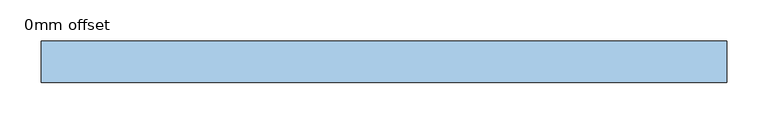
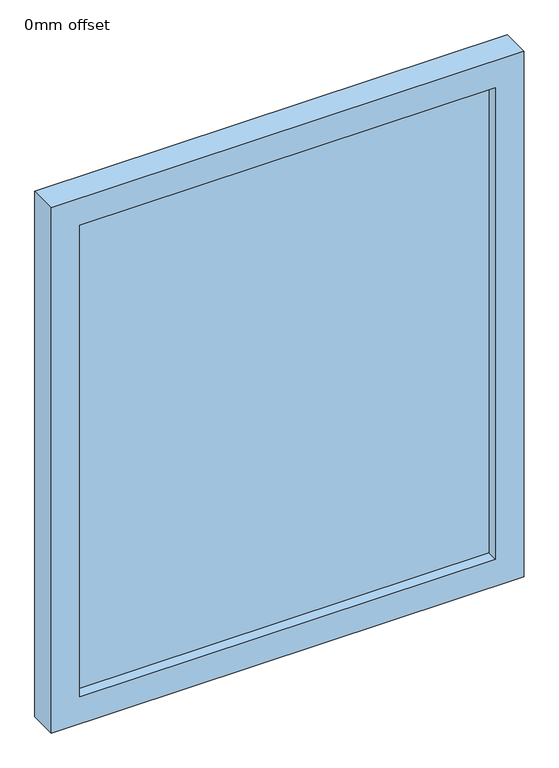
"""IFC4 building model written with IfcOpenShell, lengths in millimetres: window geometry, 0mm offset."""

from ifc_helpers import new_model, si_unit, frame, origin, place, context, project, spatial, polyline, outline, extrude, source, transform, mapped, element, save


def window_0mm_offset_e170f58a(model_context):
    return source(origin(), model_context, "Body", "SweptSolid", [
        extrude(outline(polyline([(365.0, -30.95), (-365.0, -30.95), (-365.0, -18.25), (365.0, -18.25), (365.0, -30.95)])), frame((0.0, 0.0, 50.0), z_axis=(0.0, 0.0, 1.0), x_axis=(1.0, 0.0, 0.0)), (0.0, 0.0, 1.0), 875.0),
        extrude(outline(polyline([(975.0, -415.0), (0.0, -415.0), (0.0, 415.0), (975.0, 415.0), (975.0, -415.0)]), holes=[polyline([(925.0, -365.0), (925.0, 365.0), (50.0, 365.0), (50.0, -365.0), (925.0, -365.0)])]), frame((0.0, -50.0, 0.0), z_axis=(0.0, 1.0, 0.0), x_axis=(0.0, 0.0, 1.0)), (0.0, 0.0, 1.0), 50.0),
    ])


if __name__ == "__main__":
    model = new_model("IFC4")
    model_context = context("Model", 3, world=origin())
    ifc_project = project(units=[si_unit("LENGTHUNIT", "METRE", prefix="MILLI")], contexts=[model_context])
    site = spatial("IfcSite", under=ifc_project)
    building = spatial("IfcBuilding", under=site)
    placement = place(None, origin())
    window_0mm_offset_shape = window_0mm_offset_e170f58a(model_context)
    element("IfcWindow", 1, ObjectType="0mm offset", at=placement, inside=building, context=model_context, shape_type="MappedRepresentation", body=[
        mapped(window_0mm_offset_shape, transform((0.0, 0.0, 0.0), x_axis=(1.0, 0.0, 0.0), y_axis=(0.0, 1.0, 0.0), z_axis=(0.0, 0.0, 1.0))),
    ])
    save(model, "model.ifc")
